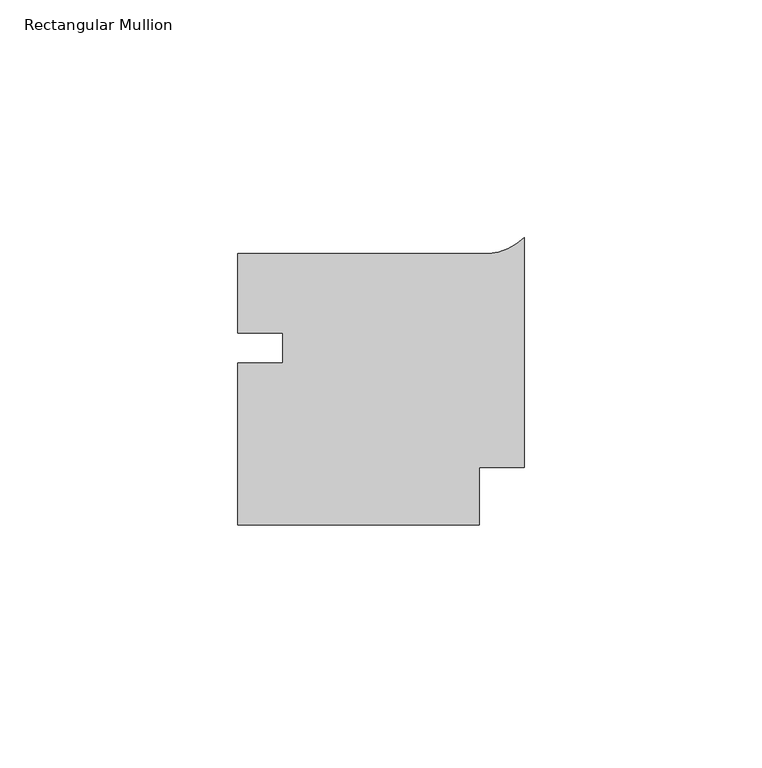
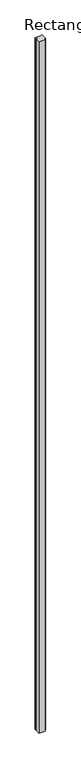
"""IFC4 building model written with IfcOpenShell, lengths in millimetres: member geometry, Rectangular Mullion."""

from ifc_helpers import new_model, si_unit, point, frame, frame_2d, origin, place, context, project, spatial, polyline, circle_curve, trimmed, segment, composite_curve, outline, extrude, source, transform, mapped, element, save


def rectangular_mullion_f7b5cabe(model_context):
    return source(origin(), model_context, "Body", "SweptSolid", [
        extrude(outline(composite_curve([segment(polyline([(-9.525, -38.2916438), (-60.2996, -38.2916438), (-60.2996, -4.2372512), (-50.7746, -4.2372512), (-50.7746, 2.1127488), (-60.2996, 2.1127488), (-60.2996, 18.8583562), (-9.525, 18.8583562)]), True, "CONTINUOUS"), segment(trimmed(circle_curve(frame_2d((-8.4161053, 30.8711818)), 12.0638976), [point((-9.525, 18.8583562))], [point((0.0, 22.2278724))], True, "CARTESIAN"), True, "CONTINUOUS"), segment(polyline([(0.0, 22.2278724), (0.0, -26.181664), (-9.525, -26.181664), (-9.525, -38.2916438)]), True, "CONTINUOUS")], self_intersect=False)), frame((0.0, 0.0, -5989.782473), z_axis=(0.0, 0.0, 1.0), x_axis=(1.0, 0.0, 0.0)), (0.0, 0.0, 1.0), 5989.782473),
    ])


if __name__ == "__main__":
    model = new_model("IFC4")
    model_context = context("Model", 3, world=origin())
    ifc_project = project(units=[si_unit("LENGTHUNIT", "METRE", prefix="MILLI")], contexts=[model_context])
    site = spatial("IfcSite", under=ifc_project)
    building = spatial("IfcBuilding", under=site)
    placement = place(None, origin())
    rectangular_mullion_shape = rectangular_mullion_f7b5cabe(model_context)
    element("IfcMember", 1, ObjectType="Rectangular Mullion", at=placement, inside=building, context=model_context, shape_type="MappedRepresentation", body=[
        mapped(rectangular_mullion_shape, transform((0.0, 0.0, 0.0), x_axis=(1.0, 0.0, 0.0), y_axis=(0.0, 1.0, 0.0), z_axis=(0.0, 0.0, 1.0))),
    ])
    save(model, "model.ifc")
